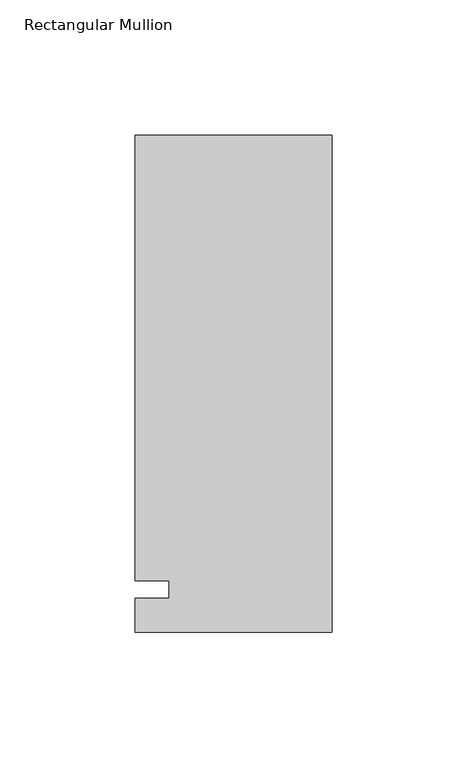
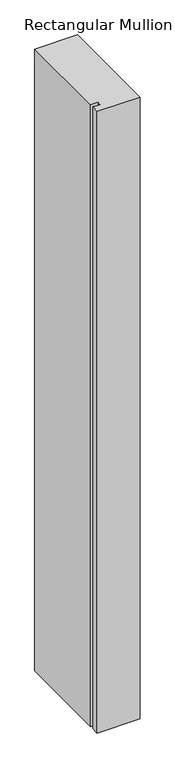
"""IFC4 building model written with IfcOpenShell, lengths in millimetres: member geometry, Rectangular Mullion."""

import ifcopenshell
import ifcopenshell.guid

model = None  # the IFC model being written
_history = None  # IfcOwnerHistory: only IFC2X3 demands one
_inside = {}  # id of a spatial element -> (the spatial element, [elements in it])
_under = {}  # id of a project, library or spatial element -> (it, [spatial elements below it])
_declared = {}  # id of a project -> (the project, [libraries it declares])
_typed = {}  # id of a type object -> (the type object, [elements of that type])
_made_of = {}  # id of a material, layer set ... -> (it, [elements and type objects made of it])


def new_model(schema):
    """Start an empty IFC model of exactly this schema.

    Asked for "IFC4X3", IfcOpenShell would pick the latest addendum, in which some entities
    have other attributes; the version numbers below select the first issue.
    IFC2X3 requires an IfcOwnerHistory on every rooted entity: one is made here for all.
    """
    global model, _history
    if schema == "IFC4X3":
        model = ifcopenshell.file(schema_version=(4, 3, 0, 0))
    else:
        model = ifcopenshell.file(schema=schema)
    _inside.clear()
    _under.clear()
    _declared.clear()
    _typed.clear()
    _made_of.clear()
    _history = None
    if model.schema == "IFC2X3":
        org = make("IfcOrganization", Name="unknown")
        user = make(
            "IfcPersonAndOrganization",
            ThePerson=make("IfcPerson", FamilyName="unknown"),
            TheOrganization=org,
        )
        app = make(
            "IfcApplication",
            ApplicationDeveloper=org,
            Version="unknown",
            ApplicationFullName="unknown",
            ApplicationIdentifier="unknown",
        )
        _history = make(
            "IfcOwnerHistory",
            OwningUser=user,
            OwningApplication=app,
            ChangeAction="ADDED",
            CreationDate=0,
        )
    return model


def make(cls, **values):
    """One entity of the class cls with the attributes given. An attribute that is None is left unset."""
    return model.create_entity(
        cls, **{name: value for name, value in values.items() if value is not None}
    )


def rooted(cls, **values):
    """An entity with a GlobalId (a new one), such as an element, a storey or a relation."""
    return make(cls, GlobalId=ifcopenshell.guid.new(), OwnerHistory=_history, **values)


def si_unit(unit_type, name, prefix=None):
    """IfcSIUnit, for example si_unit("LENGTHUNIT", "METRE", prefix="MILLI")."""
    return make("IfcSIUnit", UnitType=unit_type, Prefix=prefix, Name=name)


def assignment(units):
    """IfcUnitAssignment: the units of a project."""
    return None if units is None else make("IfcUnitAssignment", Units=units)


def point(xyz):
    """IfcCartesianPoint."""
    return None if xyz is None else make("IfcCartesianPoint", Coordinates=xyz)


def direction(xyz):
    """IfcDirection."""
    return None if xyz is None else make("IfcDirection", DirectionRatios=xyz)


def frame(location, z_axis=None, x_axis=None):
    """IfcAxis2Placement3D, a coordinate frame: its origin and axes. An axis left out is left unset."""
    return make(
        "IfcAxis2Placement3D",
        Location=point(location),
        Axis=direction(z_axis),
        RefDirection=direction(x_axis),
    )


def origin():
    """The frame at (0, 0, 0) with its axes left unset."""
    return frame((0.0, 0.0, 0.0))


def place(relative_to, where):
    """IfcLocalPlacement: puts the frame where relative to a parent placement (None: the world)."""
    return make(
        "IfcLocalPlacement", PlacementRelTo=relative_to, RelativePlacement=where
    )


def context(
    kind, dimensions, precision=None, world=None, true_north=None, identifier=None
):
    """IfcGeometricRepresentationContext, for example the 3D "Model" context."""
    return make(
        "IfcGeometricRepresentationContext",
        ContextIdentifier=identifier,
        ContextType=kind,
        CoordinateSpaceDimension=dimensions,
        Precision=precision,
        WorldCoordinateSystem=world,
        TrueNorth=true_north,
    )


def project(units=None, contexts=None):
    """IfcProject with its units and contexts."""
    return rooted(
        "IfcProject",
        Name="project",
        RepresentationContexts=contexts,
        UnitsInContext=assignment(units),
    )


def spatial(cls, under=None, at=None, **own):
    """A site, building, storey or space (cls), placed at a placement, below another one or the project."""
    s = rooted(cls, ObjectPlacement=at, **own)
    if under is not None:
        _under.setdefault(under.id(), (under, []))[1].append(s)
    return s


def polyline(points):
    """IfcPolyline through the points."""
    return make("IfcPolyline", Points=[point(p) for p in points])


def outline(outer, holes=None, kind="AREA"):
    """IfcArbitraryClosedProfileDef: a profile drawn as a closed curve; with holes, ...WithVoids."""
    if holes is None:
        return make("IfcArbitraryClosedProfileDef", ProfileType=kind, OuterCurve=outer)
    return make(
        "IfcArbitraryProfileDefWithVoids",
        ProfileType=kind,
        OuterCurve=outer,
        InnerCurves=holes,
    )


def extrude(swept, where, along, depth):
    """IfcExtrudedAreaSolid: the profile swept, set in the frame where, extruded along a direction by depth."""
    return make(
        "IfcExtrudedAreaSolid",
        SweptArea=swept,
        Position=where,
        ExtrudedDirection=direction(along),
        Depth=depth,
    )


def shape(context_of_items, identifier, shape_type, items):
    """IfcShapeRepresentation: the items that make up one representation, for example the "Body"."""
    return make(
        "IfcShapeRepresentation",
        ContextOfItems=context_of_items,
        RepresentationIdentifier=identifier,
        RepresentationType=shape_type,
        Items=items,
    )


def source(mapping_origin, context_of_items, identifier, shape_type, items):
    """IfcRepresentationMap: a shape defined once, which mapped items show again and again."""
    return make(
        "IfcRepresentationMap",
        MappingOrigin=mapping_origin,
        MappedRepresentation=shape(context_of_items, identifier, shape_type, items),
    )


def transform(
    local_origin,
    x_axis=None,
    y_axis=None,
    z_axis=None,
    scale=None,
    scale2=None,
    scale3=None,
    uniform=True,
):
    """IfcCartesianTransformationOperator3D, or its non-uniform kind. x_axis, y_axis, z_axis: its Axis1, 2, 3."""
    if uniform:
        return make(
            "IfcCartesianTransformationOperator3D",
            Axis1=direction(x_axis),
            Axis2=direction(y_axis),
            LocalOrigin=point(local_origin),
            Scale=scale,
            Axis3=direction(z_axis),
        )
    return make(
        "IfcCartesianTransformationOperator3DnonUniform",
        Axis1=direction(x_axis),
        Axis2=direction(y_axis),
        LocalOrigin=point(local_origin),
        Scale=scale,
        Axis3=direction(z_axis),
        Scale2=scale2,
        Scale3=scale3,
    )


def mapped(mapping_source, mapping_target):
    """IfcMappedItem: shows the shape of a source again, moved by a transform."""
    return make(
        "IfcMappedItem", MappingSource=mapping_source, MappingTarget=mapping_target
    )


def made_of(thing, what):
    """Note that an element or type object is made of a material, layer set ...; save() writes the relation."""
    if what is not None:
        _made_of.setdefault(what.id(), (what, []))[1].append(thing)
    return thing


def element(
    cls,
    number,
    at=None,
    inside=None,
    cuts=None,
    type_object=None,
    material=None,
    context=None,
    identifier="Body",
    shape_type=None,
    held_by="IfcProductDefinitionShape",
    body=None,
    shapes=None,
    **own,
):
    """One element of the class cls, such as IfcWall. Its Tag is "e" and its number.

    at: its placement. inside: the storey or other place that contains it. cuts: it is an
    opening in that element (IfcRelVoidsElement). A single representation is given by context,
    identifier, shape_type and body (its items); several are given by shapes. held_by: the class
    of the entity that holds the representations. save() writes the other relations.
    """
    e = rooted(cls, Tag="e%d" % number, ObjectPlacement=at, **own)
    if body is not None:
        shapes = [shape(context, identifier, shape_type, body)]
    if shapes is not None:
        e.Representation = make(held_by, Representations=shapes)
    if inside is not None:
        _inside.setdefault(inside.id(), (inside, []))[1].append(e)
    if cuts is not None:
        rooted(
            "IfcRelVoidsElement", RelatingBuildingElement=cuts, RelatedOpeningElement=e
        )
    if type_object is not None:
        _typed.setdefault(type_object.id(), (type_object, []))[1].append(e)
    return made_of(e, material)


def aggregate(whole, parts):
    """IfcRelAggregates: a whole, such as a stair, and the parts it consists of."""
    return rooted("IfcRelAggregates", RelatingObject=whole, RelatedObjects=parts)


def save(model, path):
    """Write the relations noted so far, then the file.

    IfcRelAggregates (storeys below a building ...), IfcRelContainedInSpatialStructure (elements
    in a storey), IfcRelDefinesByType, IfcRelAssociatesMaterial and IfcRelDeclares: one each for
    every whole, place, type object, material and project.
    """
    for whole, parts in _under.values():
        aggregate(whole, parts)
    for where, things in _inside.values():
        rooted(
            "IfcRelContainedInSpatialStructure",
            RelatedElements=things,
            RelatingStructure=where,
        )
    for kind, things in _typed.values():
        rooted("IfcRelDefinesByType", RelatedObjects=things, RelatingType=kind)
    for what, things in _made_of.values():
        rooted("IfcRelAssociatesMaterial", RelatedObjects=things, RelatingMaterial=what)
    for by, libraries in _declared.values():
        rooted("IfcRelDeclares", RelatingContext=by, RelatedDefinitions=libraries)
    model.write(path)


def rectangular_mullion_19ed70df(model_context):
    return source(origin(), model_context, "Body", "SweptSolid", [
        extrude(outline(polyline([(-73.025, 168.275), (0.0, 168.275), (0.0, -15.875), (-73.025, -15.875), (-73.025, -3.175), (-60.3232296, -3.175), (-60.3232296, 3.175), (-73.025, 3.175), (-73.025, 168.275)])), frame((0.0, 0.0, -1117.6), z_axis=(0.0, 0.0, 1.0), x_axis=(1.0, 0.0, 0.0)), (0.0, 0.0, 1.0), 1117.6),
    ])


if __name__ == "__main__":
    model = new_model("IFC4")
    model_context = context("Model", 3, world=origin())
    ifc_project = project(units=[si_unit("LENGTHUNIT", "METRE", prefix="MILLI")], contexts=[model_context])
    site = spatial("IfcSite", under=ifc_project)
    building = spatial("IfcBuilding", under=site)
    placement = place(None, origin())
    rectangular_mullion_shape = rectangular_mullion_19ed70df(model_context)
    element("IfcMember", 1, ObjectType="Rectangular Mullion", at=placement, inside=building, context=model_context, shape_type="MappedRepresentation", body=[
        mapped(rectangular_mullion_shape, transform((0.0, 0.0, 0.0), x_axis=(1.0, 0.0, 0.0), y_axis=(0.0, 1.0, 0.0), z_axis=(0.0, 0.0, 1.0))),
    ])
    save(model, "model.ifc")
